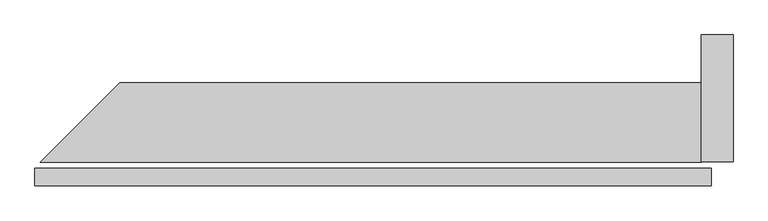
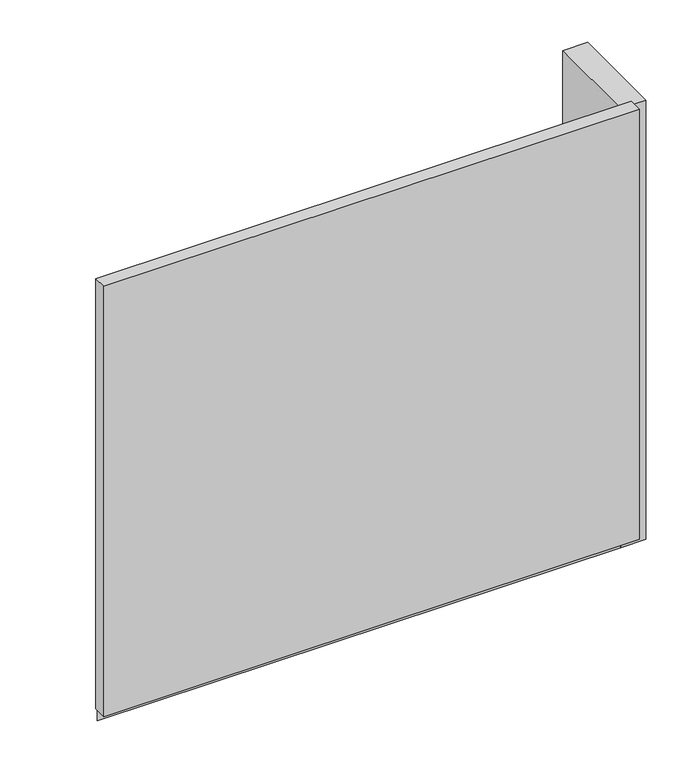
"""IFC4 building model written with IfcOpenShell, lengths in millimetres: plate geometry."""

from ifc_helpers import new_model, si_unit, frame, origin, origin_with_axes, place, context, project, spatial, polyline, outline, extrude, source, transform, mapped, element, save


def plate_38fa54f6(model_context):
    return source(origin(), model_context, "Body", "SweptSolid", [
        extrude(outline(polyline([(852.0, 0.0), (-852.0, 0.0), (-852.0, 44.0), (852.0, 44.0), (852.0, 0.0)])), origin_with_axes(), (0.0, 0.0, 1.0), 1447.534293),
        extrude(outline(polyline([(827.0, 260.0), (827.0, 60.0), (-838.4314575, 60.0), (-638.4314575, 260.0), (827.0, 260.0)])), frame((0.0, 0.0, -55.0), z_axis=(0.0, 0.0, 1.0), x_axis=(1.0, 0.0, 0.0)), (0.0, 0.0, 1.0), 80.0),
        extrude(outline(polyline([(907.0, 60.0), (827.0, 60.0), (827.0, 380.0), (907.0, 380.0), (907.0, 60.0)])), frame((0.0, 0.0, -55.0), z_axis=(0.0, 0.0, 1.0), x_axis=(1.0, 0.0, 0.0)), (0.0, 0.0, 1.0), 1477.534293),
    ])


if __name__ == "__main__":
    model = new_model("IFC4")
    model_context = context("Model", 3, world=origin())
    ifc_project = project(units=[si_unit("LENGTHUNIT", "METRE", prefix="MILLI")], contexts=[model_context])
    site = spatial("IfcSite", under=ifc_project)
    building = spatial("IfcBuilding", under=site)
    placement = place(None, origin())
    plate_shape = plate_38fa54f6(model_context)
    element("IfcPlate", 1, at=placement, inside=building, context=model_context, shape_type="MappedRepresentation", body=[
        mapped(plate_shape, transform((0.0, 0.0, 0.0), x_axis=(1.0, 0.0, 0.0), y_axis=(0.0, 1.0, 0.0), z_axis=(0.0, 0.0, 1.0))),
    ])
    save(model, "model.ifc")
